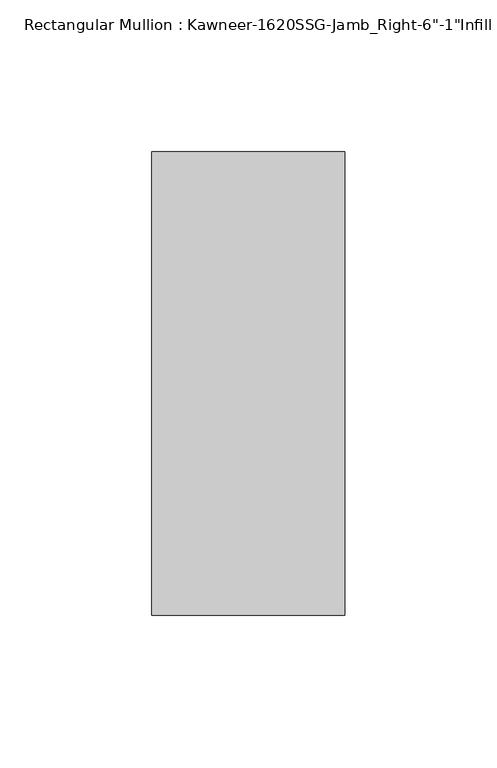
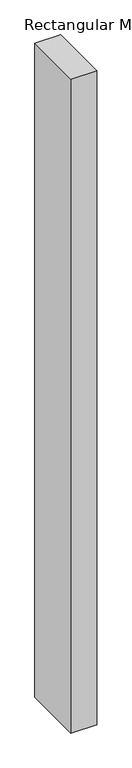
"""IFC4 building model written with IfcOpenShell, lengths in millimetres: member geometry."""

from ifc_helpers import new_model, si_unit, frame, origin, place, context, project, spatial, polyline, outline, extrude, source, transform, mapped, element, save


def member_e48a0d84(model_context):
    return source(origin(), model_context, "Body", "SweptSolid", [
        extrude(outline(polyline([(-22.225, 38.1), (41.275, 38.1), (41.275, -114.3), (-22.225, -114.3), (-22.225, 38.1)])), frame((0.0, 0.0, -1695.45), z_axis=(0.0, 0.0, 1.0), x_axis=(1.0, 0.0, 0.0)), (0.0, 0.0, 1.0), 1695.45),
    ])


if __name__ == "__main__":
    model = new_model("IFC4")
    model_context = context("Model", 3, world=origin())
    ifc_project = project(units=[si_unit("LENGTHUNIT", "METRE", prefix="MILLI")], contexts=[model_context])
    site = spatial("IfcSite", under=ifc_project)
    building = spatial("IfcBuilding", under=site)
    placement = place(None, origin())
    member_shape = member_e48a0d84(model_context)
    element("IfcMember", 1, ObjectType="Rectangular Mullion : Kawneer-1620SSG-Jamb_Right-6\"-1\"Infill", at=placement, inside=building, context=model_context, shape_type="MappedRepresentation", body=[
        mapped(member_shape, transform((0.0, 0.0, 0.0), x_axis=(1.0, 0.0, 0.0), y_axis=(0.0, 1.0, 0.0), z_axis=(0.0, 0.0, 1.0))),
    ])
    save(model, "model.ifc")
